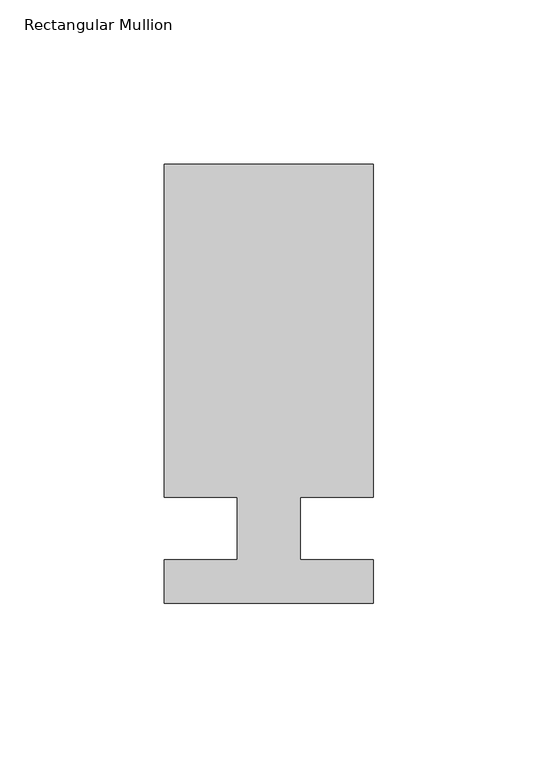
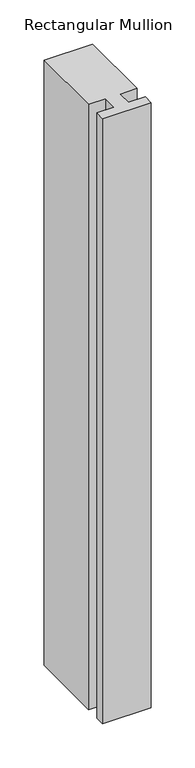
"""IFC4 building model written with IfcOpenShell, lengths in millimetres: member geometry, Rectangular Mullion."""

from ifc_helpers import new_model, si_unit, frame, origin, place, context, project, spatial, polyline, outline, extrude, source, transform, mapped, element, save


def rectangular_mullion_08b738d1(model_context):
    return source(origin(), model_context, "Body", "SweptSolid", [
        extrude(outline(polyline([(31.75, 133.4396937), (31.75, 32.2460937), (9.5207146, 32.2460938), (9.5207146, 13.1960938), (31.75, 13.1960937), (31.75, 0.0134938), (-31.75, 0.0134938), (-31.75, 13.1960938), (-9.5207146, 13.1960937), (-9.5207146, 32.2460937), (-31.75, 32.2460938), (-31.75, 133.4396938), (31.75, 133.4396937)])), frame((0.0, 0.0, -838.2), z_axis=(0.0, 0.0, 1.0), x_axis=(1.0, 0.0, 0.0)), (0.0, 0.0, 1.0), 838.2),
    ])


if __name__ == "__main__":
    model = new_model("IFC4")
    model_context = context("Model", 3, world=origin())
    ifc_project = project(units=[si_unit("LENGTHUNIT", "METRE", prefix="MILLI")], contexts=[model_context])
    site = spatial("IfcSite", under=ifc_project)
    building = spatial("IfcBuilding", under=site)
    placement = place(None, origin())
    rectangular_mullion_shape = rectangular_mullion_08b738d1(model_context)
    element("IfcMember", 1, ObjectType="Rectangular Mullion", at=placement, inside=building, context=model_context, shape_type="MappedRepresentation", body=[
        mapped(rectangular_mullion_shape, transform((0.0, 0.0, 0.0), x_axis=(1.0, 0.0, 0.0), y_axis=(0.0, 1.0, 0.0), z_axis=(0.0, 0.0, 1.0))),
    ])
    save(model, "model.ifc")
